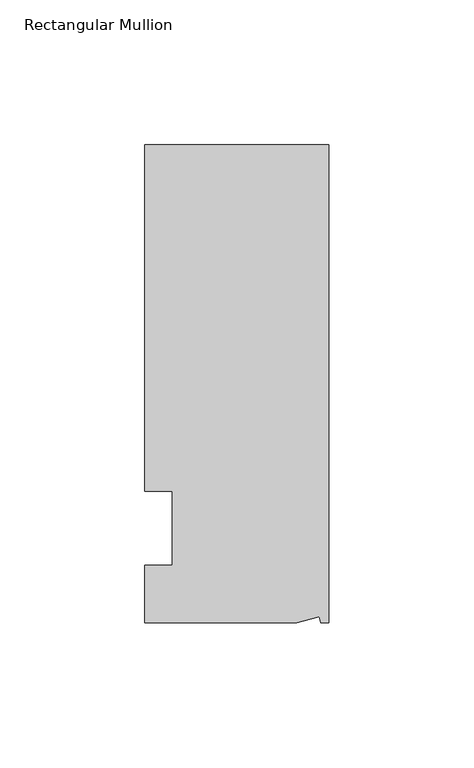
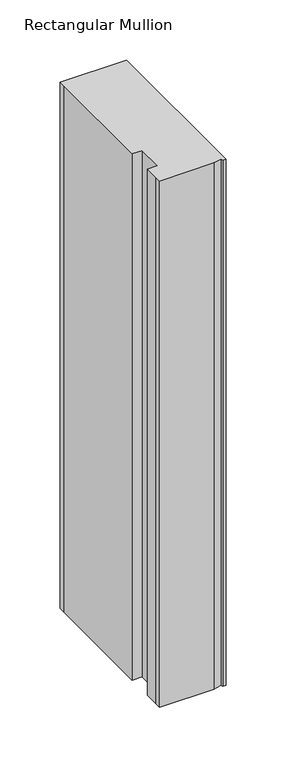
"""IFC4 building model written with IfcOpenShell, lengths in millimetres: member geometry, Rectangular Mullion."""

from ifc_helpers import new_model, si_unit, origin, place, context, project, spatial, faceted_brep, source, transform, mapped, element, save


def rectangular_mullion_6b047b20(model_context):
    return source(origin(), model_context, "Body", "Brep", [
        faceted_brep([(0.0, 132.5561012, 0.0), (-63.5, 132.5561012, 0.0), (-63.5, 126.2061012, 0.0), (-63.5, 12.8488281, 0.0), (-53.975, 12.8488281, 0.0), (-53.975, -12.7, 0.0), (-63.5, -12.7, 0.0), (-63.5, -26.1938988, 0.0), (-63.5076469, -32.5438988, 0.0), (-11.1125, -32.5438988, 0.0), (-3.3223696, -30.4565397, 0.0), (-2.7630634, -32.5438988, 0.0), (0.0, -32.5438988, 0.0), (0.0, 132.5561012, -533.4), (0.0, -32.5438988, -533.4), (-2.7630634, -32.5438988, -533.4), (-3.3223696, -30.4565397, -533.4), (-11.1125, -32.5438988, -533.4), (-63.5076469, -32.5438988, -533.4), (-63.5076469, -26.1938988, -533.4), (-63.5, -12.7, -533.4), (-53.975, -12.7, -533.4), (-53.975, 12.8488281, -533.4), (-63.5, 12.8488281, -533.4), (-63.5, 126.2061012, -533.4), (-63.5, 132.5561012, -533.4)], [[[0, 1, 2, 3, 4, 5, 6, 7, 8, 9, 10, 11, 12]], [[13, 14, 15, 16, 17, 18, 19, 20, 21, 22, 23, 24, 25]], [[0, 12, 14, 13]], [[1, 0, 13, 25]], [[3, 2, 24, 23]], [[4, 3, 23, 22]], [[5, 4, 22, 21]], [[6, 5, 21, 20]], [[7, 6, 20, 19]], [[9, 8, 18, 17]], [[10, 9, 17, 16]], [[11, 10, 16, 15]], [[12, 11, 15, 14]], [[2, 1, 25, 24]], [[8, 7, 19, 18]]]),
    ])


if __name__ == "__main__":
    model = new_model("IFC4")
    model_context = context("Model", 3, world=origin())
    ifc_project = project(units=[si_unit("LENGTHUNIT", "METRE", prefix="MILLI")], contexts=[model_context])
    site = spatial("IfcSite", under=ifc_project)
    building = spatial("IfcBuilding", under=site)
    placement = place(None, origin())
    rectangular_mullion_shape = rectangular_mullion_6b047b20(model_context)
    element("IfcMember", 1, ObjectType="Rectangular Mullion", at=placement, inside=building, context=model_context, shape_type="MappedRepresentation", body=[
        mapped(rectangular_mullion_shape, transform((0.0, 0.0, 0.0), x_axis=(1.0, 0.0, 0.0), y_axis=(0.0, 1.0, 0.0), z_axis=(0.0, 0.0, 1.0))),
    ])
    save(model, "model.ifc")
